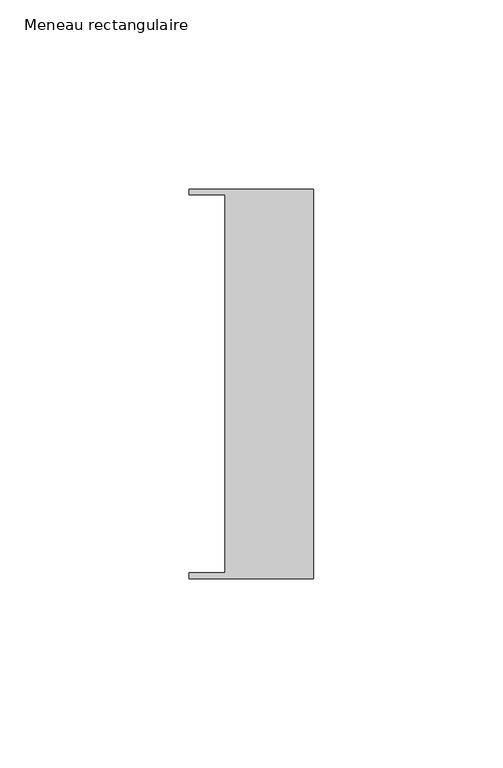
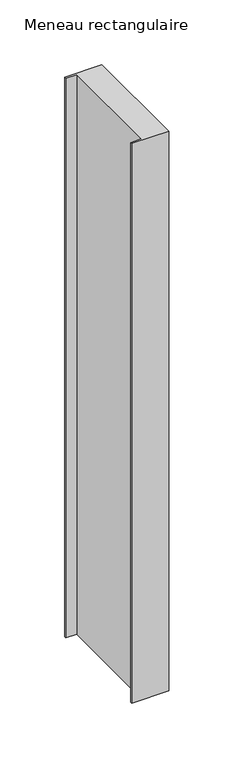
"""IFC4 building model written with IfcOpenShell, lengths in millimetres: member geometry, Meneau rectangulaire."""

from ifc_helpers import new_model, si_unit, frame, origin, place, context, project, spatial, polyline, outline, extrude, source, transform, mapped, element, save


def meneau_rectangulaire_2f518d87(model_context):
    return source(origin(), model_context, "Body", "SweptSolid", [
        extrude(outline(polyline([(-33.0, 51.4622428), (0.0, 51.4622428), (0.0, -51.4712299), (-33.0, -51.4712299), (-33.0, -49.9505712), (-23.4, -49.9505712), (-23.4, 49.9614402), (-33.0, 49.9614402), (-33.0, 51.4622428)])), frame((0.0, 0.0, -526.6019403), z_axis=(0.0, 0.0, 1.0), x_axis=(1.0, 0.0, 0.0)), (0.0, 0.0, 1.0), 526.6019403),
    ])


if __name__ == "__main__":
    model = new_model("IFC4")
    model_context = context("Model", 3, world=origin())
    ifc_project = project(units=[si_unit("LENGTHUNIT", "METRE", prefix="MILLI")], contexts=[model_context])
    site = spatial("IfcSite", under=ifc_project)
    building = spatial("IfcBuilding", under=site)
    placement = place(None, origin())
    meneau_rectangulaire_shape = meneau_rectangulaire_2f518d87(model_context)
    element("IfcMember", 1, ObjectType="Meneau rectangulaire", at=placement, inside=building, context=model_context, shape_type="MappedRepresentation", body=[
        mapped(meneau_rectangulaire_shape, transform((0.0, 0.0, 0.0), x_axis=(1.0, 0.0, 0.0), y_axis=(0.0, 1.0, 0.0), z_axis=(0.0, 0.0, 1.0))),
    ])
    save(model, "model.ifc")
